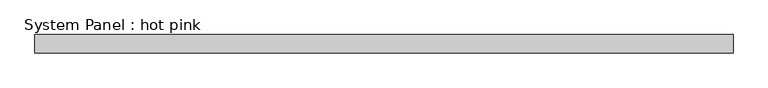
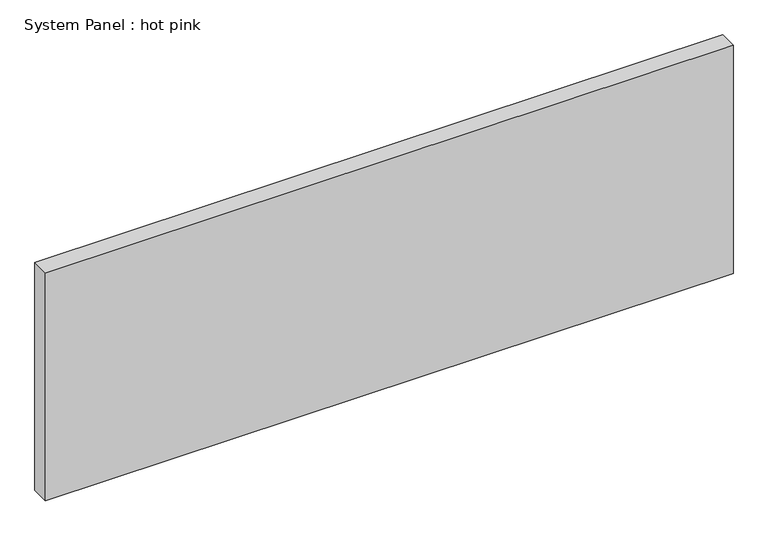
"""IFC4 building model written with IfcOpenShell, lengths in millimetres: plate geometry, System Panel : hot pink."""

import ifcopenshell
import ifcopenshell.guid

model = None  # the IFC model being written
_history = None  # IfcOwnerHistory: only IFC2X3 demands one
_inside = {}  # id of a spatial element -> (the spatial element, [elements in it])
_under = {}  # id of a project, library or spatial element -> (it, [spatial elements below it])
_declared = {}  # id of a project -> (the project, [libraries it declares])
_typed = {}  # id of a type object -> (the type object, [elements of that type])
_made_of = {}  # id of a material, layer set ... -> (it, [elements and type objects made of it])


def new_model(schema):
    """Start an empty IFC model of exactly this schema.

    Asked for "IFC4X3", IfcOpenShell would pick the latest addendum, in which some entities
    have other attributes; the version numbers below select the first issue.
    IFC2X3 requires an IfcOwnerHistory on every rooted entity: one is made here for all.
    """
    global model, _history
    if schema == "IFC4X3":
        model = ifcopenshell.file(schema_version=(4, 3, 0, 0))
    else:
        model = ifcopenshell.file(schema=schema)
    _inside.clear()
    _under.clear()
    _declared.clear()
    _typed.clear()
    _made_of.clear()
    _history = None
    if model.schema == "IFC2X3":
        org = make("IfcOrganization", Name="unknown")
        user = make(
            "IfcPersonAndOrganization",
            ThePerson=make("IfcPerson", FamilyName="unknown"),
            TheOrganization=org,
        )
        app = make(
            "IfcApplication",
            ApplicationDeveloper=org,
            Version="unknown",
            ApplicationFullName="unknown",
            ApplicationIdentifier="unknown",
        )
        _history = make(
            "IfcOwnerHistory",
            OwningUser=user,
            OwningApplication=app,
            ChangeAction="ADDED",
            CreationDate=0,
        )
    return model


def make(cls, **values):
    """One entity of the class cls with the attributes given. An attribute that is None is left unset."""
    return model.create_entity(
        cls, **{name: value for name, value in values.items() if value is not None}
    )


def rooted(cls, **values):
    """An entity with a GlobalId (a new one), such as an element, a storey or a relation."""
    return make(cls, GlobalId=ifcopenshell.guid.new(), OwnerHistory=_history, **values)


def si_unit(unit_type, name, prefix=None):
    """IfcSIUnit, for example si_unit("LENGTHUNIT", "METRE", prefix="MILLI")."""
    return make("IfcSIUnit", UnitType=unit_type, Prefix=prefix, Name=name)


def assignment(units):
    """IfcUnitAssignment: the units of a project."""
    return None if units is None else make("IfcUnitAssignment", Units=units)


def point(xyz):
    """IfcCartesianPoint."""
    return None if xyz is None else make("IfcCartesianPoint", Coordinates=xyz)


def direction(xyz):
    """IfcDirection."""
    return None if xyz is None else make("IfcDirection", DirectionRatios=xyz)


def frame(location, z_axis=None, x_axis=None):
    """IfcAxis2Placement3D, a coordinate frame: its origin and axes. An axis left out is left unset."""
    return make(
        "IfcAxis2Placement3D",
        Location=point(location),
        Axis=direction(z_axis),
        RefDirection=direction(x_axis),
    )


def origin():
    """The frame at (0, 0, 0) with its axes left unset."""
    return frame((0.0, 0.0, 0.0))


def origin_with_axes():
    """The frame at (0, 0, 0) with the z axis (0, 0, 1) and the x axis (1, 0, 0) written out."""
    return frame((0.0, 0.0, 0.0), z_axis=(0.0, 0.0, 1.0), x_axis=(1.0, 0.0, 0.0))


def place(relative_to, where):
    """IfcLocalPlacement: puts the frame where relative to a parent placement (None: the world)."""
    return make(
        "IfcLocalPlacement", PlacementRelTo=relative_to, RelativePlacement=where
    )


def context(
    kind, dimensions, precision=None, world=None, true_north=None, identifier=None
):
    """IfcGeometricRepresentationContext, for example the 3D "Model" context."""
    return make(
        "IfcGeometricRepresentationContext",
        ContextIdentifier=identifier,
        ContextType=kind,
        CoordinateSpaceDimension=dimensions,
        Precision=precision,
        WorldCoordinateSystem=world,
        TrueNorth=true_north,
    )


def project(units=None, contexts=None):
    """IfcProject with its units and contexts."""
    return rooted(
        "IfcProject",
        Name="project",
        RepresentationContexts=contexts,
        UnitsInContext=assignment(units),
    )


def spatial(cls, under=None, at=None, **own):
    """A site, building, storey or space (cls), placed at a placement, below another one or the project."""
    s = rooted(cls, ObjectPlacement=at, **own)
    if under is not None:
        _under.setdefault(under.id(), (under, []))[1].append(s)
    return s


def polyline(points):
    """IfcPolyline through the points."""
    return make("IfcPolyline", Points=[point(p) for p in points])


def outline(outer, holes=None, kind="AREA"):
    """IfcArbitraryClosedProfileDef: a profile drawn as a closed curve; with holes, ...WithVoids."""
    if holes is None:
        return make("IfcArbitraryClosedProfileDef", ProfileType=kind, OuterCurve=outer)
    return make(
        "IfcArbitraryProfileDefWithVoids",
        ProfileType=kind,
        OuterCurve=outer,
        InnerCurves=holes,
    )


def extrude(swept, where, along, depth):
    """IfcExtrudedAreaSolid: the profile swept, set in the frame where, extruded along a direction by depth."""
    return make(
        "IfcExtrudedAreaSolid",
        SweptArea=swept,
        Position=where,
        ExtrudedDirection=direction(along),
        Depth=depth,
    )


def shape(context_of_items, identifier, shape_type, items):
    """IfcShapeRepresentation: the items that make up one representation, for example the "Body"."""
    return make(
        "IfcShapeRepresentation",
        ContextOfItems=context_of_items,
        RepresentationIdentifier=identifier,
        RepresentationType=shape_type,
        Items=items,
    )


def source(mapping_origin, context_of_items, identifier, shape_type, items):
    """IfcRepresentationMap: a shape defined once, which mapped items show again and again."""
    return make(
        "IfcRepresentationMap",
        MappingOrigin=mapping_origin,
        MappedRepresentation=shape(context_of_items, identifier, shape_type, items),
    )


def transform(
    local_origin,
    x_axis=None,
    y_axis=None,
    z_axis=None,
    scale=None,
    scale2=None,
    scale3=None,
    uniform=True,
):
    """IfcCartesianTransformationOperator3D, or its non-uniform kind. x_axis, y_axis, z_axis: its Axis1, 2, 3."""
    if uniform:
        return make(
            "IfcCartesianTransformationOperator3D",
            Axis1=direction(x_axis),
            Axis2=direction(y_axis),
            LocalOrigin=point(local_origin),
            Scale=scale,
            Axis3=direction(z_axis),
        )
    return make(
        "IfcCartesianTransformationOperator3DnonUniform",
        Axis1=direction(x_axis),
        Axis2=direction(y_axis),
        LocalOrigin=point(local_origin),
        Scale=scale,
        Axis3=direction(z_axis),
        Scale2=scale2,
        Scale3=scale3,
    )


def mapped(mapping_source, mapping_target):
    """IfcMappedItem: shows the shape of a source again, moved by a transform."""
    return make(
        "IfcMappedItem", MappingSource=mapping_source, MappingTarget=mapping_target
    )


def made_of(thing, what):
    """Note that an element or type object is made of a material, layer set ...; save() writes the relation."""
    if what is not None:
        _made_of.setdefault(what.id(), (what, []))[1].append(thing)
    return thing


def element(
    cls,
    number,
    at=None,
    inside=None,
    cuts=None,
    type_object=None,
    material=None,
    context=None,
    identifier="Body",
    shape_type=None,
    held_by="IfcProductDefinitionShape",
    body=None,
    shapes=None,
    **own,
):
    """One element of the class cls, such as IfcWall. Its Tag is "e" and its number.

    at: its placement. inside: the storey or other place that contains it. cuts: it is an
    opening in that element (IfcRelVoidsElement). A single representation is given by context,
    identifier, shape_type and body (its items); several are given by shapes. held_by: the class
    of the entity that holds the representations. save() writes the other relations.
    """
    e = rooted(cls, Tag="e%d" % number, ObjectPlacement=at, **own)
    if body is not None:
        shapes = [shape(context, identifier, shape_type, body)]
    if shapes is not None:
        e.Representation = make(held_by, Representations=shapes)
    if inside is not None:
        _inside.setdefault(inside.id(), (inside, []))[1].append(e)
    if cuts is not None:
        rooted(
            "IfcRelVoidsElement", RelatingBuildingElement=cuts, RelatedOpeningElement=e
        )
    if type_object is not None:
        _typed.setdefault(type_object.id(), (type_object, []))[1].append(e)
    return made_of(e, material)


def aggregate(whole, parts):
    """IfcRelAggregates: a whole, such as a stair, and the parts it consists of."""
    return rooted("IfcRelAggregates", RelatingObject=whole, RelatedObjects=parts)


def save(model, path):
    """Write the relations noted so far, then the file.

    IfcRelAggregates (storeys below a building ...), IfcRelContainedInSpatialStructure (elements
    in a storey), IfcRelDefinesByType, IfcRelAssociatesMaterial and IfcRelDeclares: one each for
    every whole, place, type object, material and project.
    """
    for whole, parts in _under.values():
        aggregate(whole, parts)
    for where, things in _inside.values():
        rooted(
            "IfcRelContainedInSpatialStructure",
            RelatedElements=things,
            RelatingStructure=where,
        )
    for kind, things in _typed.values():
        rooted("IfcRelDefinesByType", RelatedObjects=things, RelatingType=kind)
    for what, things in _made_of.values():
        rooted("IfcRelAssociatesMaterial", RelatedObjects=things, RelatingMaterial=what)
    for by, libraries in _declared.values():
        rooted("IfcRelDeclares", RelatingContext=by, RelatedDefinitions=libraries)
    model.write(path)


def system_panel_hot_pink_6b3d7046(model_context):
    return source(origin(), model_context, "Body", "SweptSolid", [
        extrude(outline(polyline([(1212.5266214, -19.05), (-1212.5266214, -19.05), (-1212.5266214, 44.45), (1212.5266214, 44.45), (1212.5266214, -19.05)])), origin_with_axes(), (0.0, 0.0, 1.0), 850.9),
    ])


if __name__ == "__main__":
    model = new_model("IFC4")
    model_context = context("Model", 3, world=origin())
    ifc_project = project(units=[si_unit("LENGTHUNIT", "METRE", prefix="MILLI")], contexts=[model_context])
    site = spatial("IfcSite", under=ifc_project)
    building = spatial("IfcBuilding", under=site)
    placement = place(None, origin())
    system_panel_hot_pink_shape = system_panel_hot_pink_6b3d7046(model_context)
    element("IfcPlate", 1, ObjectType="System Panel : hot pink", at=placement, inside=building, context=model_context, shape_type="MappedRepresentation", body=[
        mapped(system_panel_hot_pink_shape, transform((0.0, 0.0, 0.0), x_axis=(1.0, 0.0, 0.0), y_axis=(0.0, 1.0, 0.0), z_axis=(0.0, 0.0, 1.0))),
    ])
    save(model, "model.ifc")
